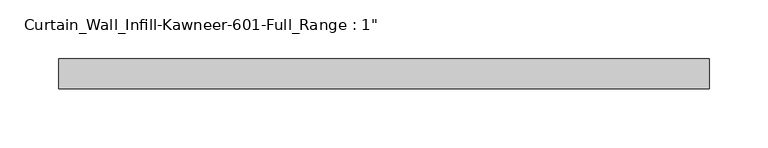
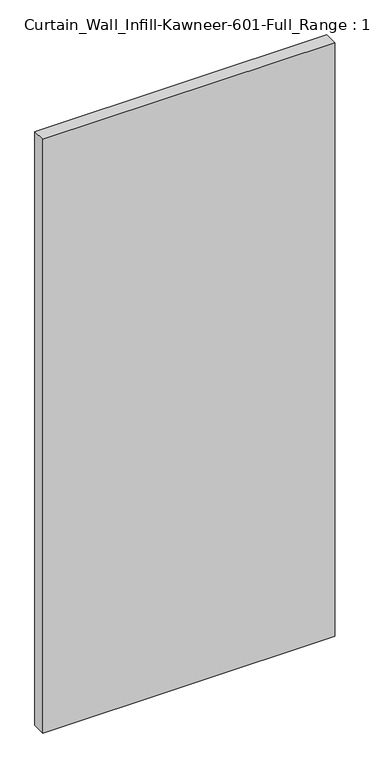
"""IFC4 building model written with IfcOpenShell, lengths in millimetres: plate geometry."""

from ifc_helpers import new_model, si_unit, origin, origin_with_axes, place, context, project, spatial, polyline, outline, extrude, source, transform, mapped, element, save


def plate_bf58c0ea(model_context):
    return source(origin(), model_context, "Body", "SweptSolid", [
        extrude(outline(polyline([(-276.225, 12.7), (276.225, 12.7), (276.225, -12.7), (-276.225, -12.7), (-276.225, 12.7)])), origin_with_axes(), (0.0, 0.0, 1.0), 1187.45),
    ])


if __name__ == "__main__":
    model = new_model("IFC4")
    model_context = context("Model", 3, world=origin())
    ifc_project = project(units=[si_unit("LENGTHUNIT", "METRE", prefix="MILLI")], contexts=[model_context])
    site = spatial("IfcSite", under=ifc_project)
    building = spatial("IfcBuilding", under=site)
    placement = place(None, origin())
    plate_shape = plate_bf58c0ea(model_context)
    element("IfcPlate", 1, ObjectType="Curtain_Wall_Infill-Kawneer-601-Full_Range : 1\"", at=placement, inside=building, context=model_context, shape_type="MappedRepresentation", body=[
        mapped(plate_shape, transform((0.0, 0.0, 0.0), x_axis=(1.0, 0.0, 0.0), y_axis=(0.0, 1.0, 0.0), z_axis=(0.0, 0.0, 1.0))),
    ])
    save(model, "model.ifc")
